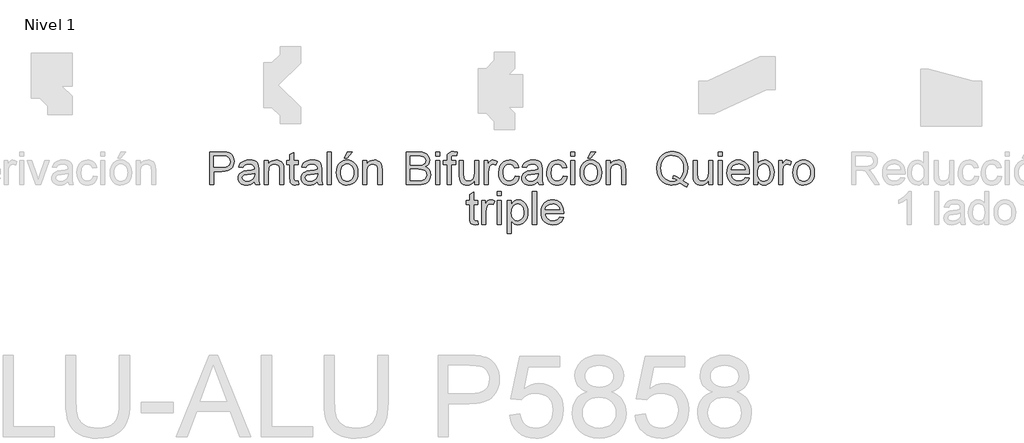
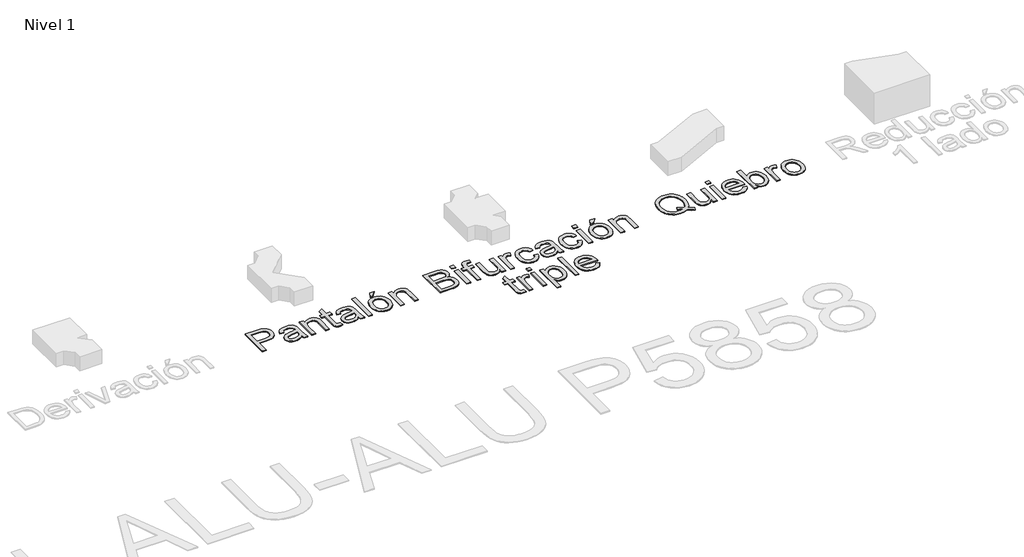
# One storey, part 5 of 7: 3 proxies.
"""IFC4 building model written with IfcOpenShell, lengths in millimetres."""

from ifc_helpers import new_model, si_unit, origin, origin_with_axes, place, context, project, spatial, polyline, outline, extrude, element, save

model = new_model("IFC4")

# Units and contexts
model_context = context("Model", 3, world=origin())
ifc_project = project(units=[si_unit("LENGTHUNIT", "METRE", prefix="MILLI")], contexts=[model_context])

# Site, building, storey
site = spatial("IfcSite", under=ifc_project)
building = spatial("IfcBuilding", under=site)
storey = spatial("IfcBuildingStorey", under=building, Name="Nivel 1", Elevation=0.0)

# Proxies
placement = place(None, origin())
element("IfcBuildingElementProxy", 1, Name="Texto de modelo 1", ObjectType="Texto de modelo 1", at=placement, inside=storey, context=model_context, shape_type="SweptSolid", body=[
    extrude(outline(polyline([(-3606.4154032, -4316.3248037), (-3606.4154032, -3914.4995631), (-3457.4967716, -3914.4995631), (-3397.4584299, -3918.3255358), (-3370.6888834, -3925.4747093), (-3348.6527519, -3937.1120431), (-3330.908577, -3953.7648347), (-3317.0149003, -3975.9603818), (-3308.0385796, -4002.1413171), (-3305.0464728, -4030.7502736), (-3307.066758, -4055.4167613), (-3313.1276139, -4078.1089491), (-3323.2290404, -4098.8268368), (-3337.3710374, -4117.5704244), (-3356.7860097, -4133.1073074), (-3382.7063619, -4144.2050809), (-3415.1320941, -4150.863745), (-3454.0632063, -4153.0832997), (-3556.1872481, -4153.0832997), (-3556.1872481, -4316.3248037), (-3606.4154032, -4316.3248037)]), holes=[polyline([(-3556.1872481, -4102.8551446), (-3451.1201503, -4102.8551446), (-3406.5819034, -4098.244357), (-3389.9781627, -4092.4808724), (-3377.1513438, -4084.4119939), (-3367.5802806, -4074.2523195), (-3360.7438068, -4062.2164469), (-3355.2746278, -4032.5161071), (-3358.4997267, -4009.9526781), (-3368.1750231, -3990.9209162), (-3383.0987694, -3976.5980439), (-3402.0692176, -3968.1612835), (-3452.2973727, -3964.7277182), (-3556.1872481, -3964.7277182), (-3556.1872481, -4102.8551446)])]), origin_with_axes(), (0.0, 0.0, 1.0), 10.0),
    extrude(outline(polyline([(-3053.9056974, -4278.6536874), (-3077.9038662, -4299.2305537), (-3102.6132735, -4312.6950347), (-3128.5980051, -4320.126251), (-3156.4221467, -4322.6033231), (-3178.7863063, -4321.113401), (-3198.3974824, -4316.6436348), (-3215.2556748, -4309.1940244), (-3229.3608836, -4298.7645698), (-3240.498511, -4286.0174587), (-3248.4539592, -4271.6148785), (-3253.227228, -4255.5568295), (-3254.8183177, -4237.8433114), (-3252.414822, -4217.0211905), (-3245.2043349, -4198.1120559), (-3234.0820359, -4181.9252481), (-3219.9431045, -4169.2701075), (-3203.3271011, -4159.7051756), (-3184.7735858, -4152.7889941), (-3141.3144594, -4145.2351505), (-3089.9581329, -4137.2888994), (-3054.200003, -4127.9692222), (-3053.9056974, -4116.7856095), (-3057.3637881, -4094.3693333), (-3067.7380604, -4079.7031044), (-3090.9391516, -4068.8137973), (-3123.2637162, -4065.1840283), (-3153.1847851, -4067.5997868), (-3174.0804825, -4074.8470621), (-3188.3297784, -4088.2502294), (-3198.3116432, -4109.133664), (-3248.5397983, -4102.8551446), (-3239.820995, -4075.3866223), (-3226.8102351, -4053.8042119), (-3208.293508, -4037.2985731), (-3183.0568032, -4025.0603654), (-3152.1915038, -4017.4819963), (-3116.7889931, -4014.9558732), (-3082.8334849, -4017.1876907), (-3055.9167856, -4023.883143), (-3035.6219622, -4033.9508469), (-3021.5320818, -4046.2994192), (-3012.1878791, -4061.566522), (-3006.1300889, -4080.3898175), (-3003.6775423, -4124.3394531), (-3003.6775423, -4186.8303414), (-3001.1268938, -4274.0919506), (-2991.1205035, -4316.3248037), (-3041.3486586, -4316.3248037), (-3049.3930116, -4298.8626717), (-3053.9056974, -4278.6536874)]), holes=[polyline([(-3053.9056974, -4178.1973772), (-3087.6527391, -4186.5605613), (-3134.9378382, -4193.5993701), (-3178.1517099, -4201.7418249), (-3189.3966362, -4207.3091058), (-3197.723032, -4214.9855768), (-3202.87338, -4224.1826266), (-3204.5901626, -4234.3116442), (-3200.850029, -4249.2476532), (-3189.6296281, -4261.4858609), (-3171.1742147, -4269.6528412), (-3145.7290434, -4272.375168), (-3118.7510304, -4269.3707984), (-3094.9122771, -4260.3576895), (-3075.5862096, -4247.0771495), (-3062.1462541, -4231.2704864), (-3056.1865657, -4214.9855768), (-3054.200003, -4192.4221477), (-3053.9056974, -4178.1973772)])]), origin_with_axes(), (0.0, 0.0, 1.0), 10.0),
    extrude(outline(polyline([(-2934.6138291, -4316.3248037), (-2934.6138291, -4021.2343926), (-2884.385674, -4021.2343926), (-2884.385674, -4062.4371761), (-2866.9358047, -4041.6641061), (-2845.9787937, -4026.826199), (-2821.514641, -4017.9234547), (-2793.5433467, -4014.9558732), (-2768.7848884, -4017.3471062), (-2746.1110947, -4024.5208051), (-2727.2019602, -4035.5817904), (-2713.7374792, -4049.6348827), (-2704.601743, -4066.6432936), (-2698.6788428, -4086.570235), (-2696.0300925, -4135.1306583), (-2696.0300925, -4316.3248037), (-2746.2582475, -4316.3248037), (-2746.2582475, -4141.899687), (-2747.7052501, -4115.9272182), (-2752.0462576, -4097.459542), (-2760.0538224, -4084.2280529), (-2772.5004965, -4073.9641453), (-2788.4543124, -4067.3790576), (-2806.9833022, -4065.1840283), (-2836.4015991, -4070.1136471), (-2861.4788884, -4084.9025033), (-2871.5006071, -4096.9751641), (-2878.6589776, -4113.4746716), (-2882.9539999, -4134.4010257), (-2884.385674, -4159.7542265), (-2884.385674, -4316.3248037), (-2934.6138291, -4316.3248037)])), origin_with_axes(), (0.0, 0.0, 1.0), 10.0),
    extrude(outline(polyline([(-2520.2315497, -4274.4353072), (-2513.9530303, -4317.7963317), (-2551.5260448, -4322.6033231), (-2575.6345782, -4320.5186584), (-2593.611745, -4314.2646645), (-2606.3159366, -4304.6261562), (-2614.6055442, -4292.3879485), (-2619.1672809, -4271.3696239), (-2620.6878599, -4235.3907648), (-2620.6878599, -4071.4625477), (-2658.3589762, -4071.4625477), (-2658.3589762, -4021.2343926), (-2620.6878599, -4021.2343926), (-2620.6878599, -3949.521929), (-2570.4597048, -3919.9932676), (-2570.4597048, -4021.2343926), (-2520.2315497, -4021.2343926), (-2520.2315497, -4071.4625477), (-2570.4597048, -4071.4625477), (-2570.4597048, -4233.9192368), (-2567.8109544, -4259.8181292), (-2559.2270412, -4268.9906536), (-2542.1082657, -4272.375168), (-2520.2315497, -4274.4353072)])), origin_with_axes(), (0.0, 0.0, 1.0), 10.0),
    extrude(outline(polyline([(-2281.6478131, -4278.6536874), (-2305.6459819, -4299.2305537), (-2330.3553893, -4312.6950347), (-2356.3401209, -4320.126251), (-2384.1642624, -4322.6033231), (-2406.528422, -4321.113401), (-2426.1395981, -4316.6436348), (-2442.9977905, -4309.1940244), (-2457.1029993, -4298.7645698), (-2468.2406267, -4286.0174587), (-2476.1960749, -4271.6148785), (-2480.9693438, -4255.5568295), (-2482.5604334, -4237.8433114), (-2480.1569377, -4217.0211905), (-2472.9464506, -4198.1120559), (-2461.8241516, -4181.9252481), (-2447.6852203, -4169.2701075), (-2431.0692168, -4159.7051756), (-2412.5157015, -4152.7889941), (-2369.0565752, -4145.2351505), (-2317.7002486, -4137.2888994), (-2281.9421187, -4127.9692222), (-2281.6478131, -4116.7856095), (-2285.1059039, -4094.3693333), (-2295.4801761, -4079.7031044), (-2318.6812673, -4068.8137973), (-2351.0058319, -4065.1840283), (-2380.9269009, -4067.5997868), (-2401.8225982, -4074.8470621), (-2416.0718941, -4088.2502294), (-2426.0537589, -4109.133664), (-2476.281914, -4102.8551446), (-2467.5631107, -4075.3866223), (-2454.5523508, -4053.8042119), (-2436.0356237, -4037.2985731), (-2410.7989189, -4025.0603654), (-2379.9336195, -4017.4819963), (-2344.5311088, -4014.9558732), (-2310.5756007, -4017.1876907), (-2283.6589013, -4023.883143), (-2263.3640779, -4033.9508469), (-2249.2741975, -4046.2994192), (-2239.9299948, -4061.566522), (-2233.8722047, -4080.3898175), (-2231.419658, -4124.3394531), (-2231.419658, -4186.8303414), (-2228.8690095, -4274.0919506), (-2218.8626193, -4316.3248037), (-2269.0907743, -4316.3248037), (-2277.1351273, -4298.8626717), (-2281.6478131, -4278.6536874)]), holes=[polyline([(-2281.6478131, -4178.1973772), (-2315.3948548, -4186.5605613), (-2362.6799539, -4193.5993701), (-2405.8938256, -4201.7418249), (-2417.1387519, -4207.3091058), (-2425.4651478, -4214.9855768), (-2430.6154957, -4224.1826266), (-2432.3322783, -4234.3116442), (-2428.5921447, -4249.2476532), (-2417.3717439, -4261.4858609), (-2398.9163304, -4269.6528412), (-2373.4711591, -4272.375168), (-2346.4931461, -4269.3707984), (-2322.6543928, -4260.3576895), (-2303.3283254, -4247.0771495), (-2289.8883698, -4231.2704864), (-2283.9286815, -4214.9855768), (-2281.9421187, -4192.4221477), (-2281.6478131, -4178.1973772)])]), origin_with_axes(), (0.0, 0.0, 1.0), 10.0),
    extrude(outline(polyline([(-2162.3559448, -4316.3248037), (-2162.3559448, -3914.4995631), (-2112.1277897, -3914.4995631), (-2112.1277897, -4316.3248037), (-2162.3559448, -4316.3248037)])), origin_with_axes(), (0.0, 0.0, 1.0), 10.0),
    extrude(outline(polyline([(-1955.1648051, -3989.8417957), (-1917.4936888, -3914.4995631), (-1854.708495, -3914.4995631), (-1917.4936888, -3989.8417957), (-1955.1648051, -3989.8417957)])), origin_with_axes(), (0.0, 0.0, 1.0), 10.0),
    extrude(outline(polyline([(-2049.3425959, -4168.7795982), (-2046.6264005, -4130.5627902), (-2038.4778143, -4097.6312203), (-2024.8968373, -4069.9848884), (-2005.8834695, -4047.6237944), (-1986.741343, -4033.3315789), (-1965.6126538, -4023.1228535), (-1942.4974017, -4016.9976183), (-1917.3955869, -4014.9558732), (-1889.6848757, -4017.4421424), (-1864.6290461, -4024.9009498), (-1842.2280983, -4037.3322956), (-1822.4820322, -4054.7361797), (-1806.3657351, -4076.5239908), (-1794.8540944, -4102.1071179), (-1787.9471099, -4131.4855609), (-1785.6447817, -4164.6593198), (-1789.7160092, -4215.4025097), (-1801.9296914, -4254.0301192), (-1821.9302092, -4282.9579067), (-1849.3619433, -4304.6016308), (-1881.9440253, -4318.1029), (-1917.3955869, -4322.6033231), (-1945.5109684, -4320.126251), (-1970.7997899, -4312.6950347), (-1993.2620514, -4300.3096742), (-2012.8977529, -4282.9701695), (-2028.8423717, -4260.9708262), (-2040.2313851, -4234.6059498), (-2047.0647932, -4203.8755405), (-2049.3425959, -4168.7795982)]), holes=[polyline([(-1999.1144408, -4168.6814963), (-1997.6613069, -4193.0444814), (-1993.3019053, -4214.1394482), (-1986.0362359, -4231.9663965), (-1975.8642987, -4246.5253265), (-1963.4912009, -4257.8346321), (-1949.6220497, -4265.9127076), (-1934.2568451, -4270.7595529), (-1917.3955869, -4272.375168), (-1900.620168, -4270.7503559), (-1885.316277, -4265.8759194), (-1871.4839139, -4257.7518587), (-1859.1230789, -4246.3781737), (-1848.9511417, -4231.6751566), (-1841.6854723, -4213.5630997), (-1837.3260707, -4192.042003), (-1835.8729368, -4167.1118665), (-1837.3352677, -4143.5214335), (-1841.7222605, -4122.9782898), (-1849.0339152, -4105.4824352), (-1859.2702317, -4091.0338698), (-1871.677052, -4079.7245642), (-1885.500218, -4071.6464887), (-1900.7397296, -4066.7996434), (-1917.3955869, -4065.1840283), (-1934.2568451, -4066.793512), (-1949.6220497, -4071.6219632), (-1963.4912009, -4079.6693819), (-1975.8642987, -4090.935768), (-1986.0362359, -4105.4517784), (-1993.3019053, -4123.2480699), (-1997.6613069, -4144.3246425), (-1999.1144408, -4168.6814963)])]), origin_with_axes(), (0.0, 0.0, 1.0), 10.0),
    extrude(outline(polyline([(-1729.1381073, -4316.3248037), (-1729.1381073, -4021.2343926), (-1678.9099522, -4021.2343926), (-1678.9099522, -4062.4371761), (-1661.4600829, -4041.6641061), (-1640.5030719, -4026.826199), (-1616.0389192, -4017.9234547), (-1588.0676249, -4014.9558732), (-1563.3091666, -4017.3471062), (-1540.635373, -4024.5208051), (-1521.7262384, -4035.5817904), (-1508.2617574, -4049.6348827), (-1499.1260212, -4066.6432936), (-1493.203121, -4086.570235), (-1490.5543707, -4135.1306583), (-1490.5543707, -4316.3248037), (-1540.7825257, -4316.3248037), (-1540.7825257, -4141.899687), (-1542.2295283, -4115.9272182), (-1546.5705358, -4097.459542), (-1554.5781006, -4084.2280529), (-1567.0247747, -4073.9641453), (-1582.9785906, -4067.3790576), (-1601.5075804, -4065.1840283), (-1630.9258773, -4070.1136471), (-1656.0031666, -4084.9025033), (-1666.0248853, -4096.9751641), (-1673.1832558, -4113.4746716), (-1677.4782781, -4134.4010257), (-1678.9099522, -4159.7542265), (-1678.9099522, -4316.3248037), (-1729.1381073, -4316.3248037)])), origin_with_axes(), (0.0, 0.0, 1.0), 10.0),
])
element("IfcBuildingElementProxy", 2, Name="Texto de modelo 1", ObjectType="Texto de modelo 1", at=placement, inside=storey, context=model_context, shape_type="SweptSolid", body=[
    extrude(outline(polyline([(2202.1788661, -4268.1567878), (2234.6260581, -4292.9520343), (2264.4735506, -4310.0462843), (2250.9354932, -4346.8344838), (2209.5119805, -4327.6310437), (2168.2356207, -4299.8436903), (2121.759862, -4316.9134149), (2070.6242646, -4322.6033231), (2044.3145706, -4320.9631825), (2019.2434126, -4316.0427608), (1995.4107907, -4307.842058), (1972.8167048, -4296.3610741), (1952.1080142, -4281.909443), (1933.931578, -4264.7967989), (1918.2873961, -4245.0231417), (1905.1754687, -4222.5884713), (1894.8103935, -4198.072202), (1887.4067683, -4172.0537479), (1881.4838682, -4115.5102853), (1887.3945056, -4058.9177717), (1894.7828023, -4032.6172747), (1905.1264177, -4007.6472843), (1918.1984913, -3984.7926153), (1933.7721624, -3964.8380828), (1951.8474311, -3947.7836866), (1972.4242974, -3933.6294268), (1994.9018873, -3922.5132592), (2018.6793269, -3914.5731395), (2043.7566163, -3909.8090677), (2070.1337553, -3908.2210437), (2096.7346892, -3909.8458559), (2121.9928539, -3914.7202923), (2145.9082493, -3922.844353), (2168.4808754, -3934.218038), (2189.0792014, -3948.5163849), (2207.0716966, -3965.4144312), (2222.4583611, -3984.912177), (2235.2391947, -4007.0096222), (2245.2823732, -4031.1549438), (2252.4560721, -4056.7963188), (2258.1950312, -4112.5672293), (2254.712415, -4158.9448862), (2244.2645664, -4200.3683988), (2226.7779089, -4236.7887163), (2202.1788661, -4268.1567878)]), holes=[polyline([(2084.4566277, -4201.3494175), (2126.6894807, -4217.3154961), (2160.7798789, -4239.5110431), (2181.4241902, -4216.2118501), (2196.1701269, -4187.7132582), (2205.0176888, -4154.0152674), (2207.9668762, -4115.1178778), (2203.7975469, -4070.9107247), (2191.2895591, -4032.6632599), (2170.749481, -4001.3442394), (2142.483881, -3977.9224191), (2108.4057455, -3963.3175039), (2070.4280609, -3958.4491988), (2041.7823162, -3960.9109425), (2015.68722, -3968.2961735), (1992.1427723, -3980.6048919), (1971.1489731, -3997.8370977), (1953.8953076, -4019.9560027), (1941.5712607, -4046.9248186), (1934.1768326, -4078.7435455), (1931.7120233, -4115.4121834), (1934.1492415, -4151.1243281), (1941.4608961, -4182.4280202), (1953.6469872, -4209.3232597), (1970.7075147, -4231.8100467), (1991.5572268, -4249.5572873), (2015.1108716, -4262.2338877), (2041.368449, -4269.8398479), (2070.329959, -4272.375168), (2098.2154143, -4269.799994), (2124.3840869, -4262.0744721), (2098.6568727, -4248.708093), (2071.5071814, -4239.8053487), (2084.4566277, -4201.3494175)])]), origin_with_axes(), (0.0, 0.0, 1.0), 10.0),
    extrude(outline(polyline([(2515.614326, -4316.3248037), (2515.614326, -4265.6061393), (2497.4409554, -4290.5424072), (2476.275478, -4308.3540271), (2452.1178936, -4319.0409991), (2424.9682024, -4322.6033231), (2400.5040497, -4320.1017255), (2377.7321542, -4312.5969328), (2358.6268159, -4301.3152183), (2345.1623349, -4287.4828553), (2336.1001751, -4270.6829108), (2330.2018004, -4250.498452), (2327.2587445, -4203.8019641), (2327.2587445, -4021.2343926), (2377.4868995, -4021.2343926), (2377.4868995, -4180.1594145), (2380.5280574, -4231.3685883), (2387.8489091, -4248.4505756), (2400.3936851, -4261.43681), (2417.3285196, -4269.6405785), (2437.8195468, -4272.375168), (2459.4877963, -4269.5792648), (2479.7580942, -4261.1915554), (2496.4721995, -4247.9845917), (2507.4718712, -4230.7309262), (2513.5787123, -4207.1006393), (2515.614326, -4174.763812), (2515.614326, -4021.2343926), (2565.8424811, -4021.2343926), (2565.8424811, -4316.3248037), (2515.614326, -4316.3248037)])), origin_with_axes(), (0.0, 0.0, 1.0), 10.0),
    extrude(outline(polyline([(2634.9061943, -3964.7277182), (2634.9061943, -3914.4995631), (2685.1343494, -3914.4995631), (2685.1343494, -3964.7277182), (2634.9061943, -3964.7277182)])), origin_with_axes(), (0.0, 0.0, 1.0), 10.0),
    extrude(outline(polyline([(2634.9061943, -4316.3248037), (2634.9061943, -4021.2343926), (2685.1343494, -4021.2343926), (2685.1343494, -4316.3248037), (2634.9061943, -4316.3248037)])), origin_with_axes(), (0.0, 0.0, 1.0), 10.0),
    extrude(outline(polyline([(2967.0791105, -4228.4255323), (3016.3262469, -4234.7040517), (3008.775469, -4254.428658), (2998.582072, -4271.8110823), (2985.7460561, -4286.8513245), (2970.2674211, -4299.5493847), (2952.3055827, -4309.6354827), (2932.0199563, -4316.8398385), (2884.4773398, -4322.6033231), (2853.3116035, -4320.1170539), (2825.5426442, -4312.6582465), (2801.170462, -4300.2269007), (2780.1950569, -4282.8230167), (2763.3276675, -4260.9309723), (2751.2795321, -4235.0351455), (2744.0506509, -4205.1355363), (2741.6410238, -4171.2321448), (2744.0751764, -4136.179122), (2751.377634, -4105.2831658), (2763.5483966, -4078.5442761), (2780.5874644, -4055.962453), (2801.5076872, -4038.0220743), (2825.321915, -4025.2075182), (2852.0301479, -4017.5187845), (2881.6323857, -4014.9558732), (2910.2811961, -4017.5126531), (2936.1892856, -4025.1829927), (2959.3566543, -4037.966892), (2979.783302, -4055.8643511), (2996.4575535, -4078.3971233), (3008.3677331, -4105.0869621), (3015.5138408, -4135.9338674), (3017.8958767, -4170.9378392), (3017.6015712, -4184.4758966), (2791.8691789, -4184.4758966), (2794.7785124, -4204.519334), (2800.5634567, -4222.0734365), (2809.224012, -4237.1382042), (2820.7601783, -4249.7136371), (2834.5342933, -4259.6280569), (2849.908695, -4266.7097853), (2885.4583585, -4272.375168), (2912.1911168, -4269.7509431), (2934.7054949, -4261.8782684), (2953.0014928, -4248.2666346), (2967.0791105, -4228.4255323)]), holes=[polyline([(2791.8691789, -4134.2477415), (2967.6677217, -4134.2477415), (2960.8741675, -4107.711187), (2947.5568393, -4088.728476), (2933.8593663, -4078.4277801), (2918.2734325, -4071.0701402), (2900.7990377, -4066.6555563), (2881.436182, -4065.1840283), (2847.5787757, -4069.8806551), (2819.5829559, -4083.9705355), (2800.1219983, -4105.9330907), (2791.8691789, -4134.2477415)])]), origin_with_axes(), (0.0, 0.0, 1.0), 10.0),
    extrude(outline(polyline([(3118.3521869, -4316.3248037), (3068.1240318, -4316.3248037), (3068.1240318, -3914.4995631), (3118.3521869, -3914.4995631), (3118.3521869, -4063.5162966), (3134.8700885, -4042.2711114), (3153.5217056, -4027.0959791), (3174.3070384, -4017.9908997), (3197.2260867, -4014.9558732), (3223.1004537, -4017.6904627), (3247.5523436, -4025.8942312), (3269.1838049, -4039.0521439), (3286.596886, -4056.649166), (3300.245308, -4078.5136193), (3310.5827921, -4104.4738254), (3317.0943034, -4133.4506639), (3319.2648072, -4164.3650142), (3317.0176613, -4200.037305), (3310.2762238, -4231.4176392), (3299.0404945, -4258.5060168), (3283.3104735, -4281.3024378), (3264.4289301, -4299.3715751), (3243.7386336, -4312.2781017), (3221.2395839, -4320.0220177), (3196.9317811, -4322.6033231), (3173.2585747, -4319.273991), (3152.2709069, -4309.2859949), (3133.9687776, -4292.6393346), (3118.3521869, -4269.3340102), (3118.3521869, -4316.3248037)]), holes=[polyline([(3118.3521869, -4166.719459), (3121.7857522, -4208.6089555), (3132.0864481, -4236.9603946), (3144.2572107, -4252.454358), (3158.4022734, -4263.5214747), (3174.5216362, -4270.1617447), (3192.615299, -4272.375168), (3207.6371471, -4270.7442245), (3221.6044002, -4265.851394), (3234.5170582, -4257.6966764), (3246.3751212, -4246.2800718), (3256.289541, -4231.632237), (3263.3712694, -4213.7838289), (3267.6203064, -4192.7348474), (3269.0366521, -4168.4852926), (3263.6042613, -4122.5245686), (3256.8137728, -4104.7313428), (3247.3070889, -4090.3962077), (3235.8751559, -4079.3658792), (3223.3089201, -4071.4870732), (3209.6083815, -4066.7597895), (3194.77354, -4065.1840283), (3179.7516919, -4066.8149718), (3165.7844388, -4071.7078024), (3152.8717808, -4079.8625199), (3141.0137178, -4091.2791245), (3131.099298, -4105.7798065), (3124.0175696, -4123.1867562), (3119.7685326, -4143.4999737), (3118.3521869, -4166.719459)])]), origin_with_axes(), (0.0, 0.0, 1.0), 10.0),
    extrude(outline(polyline([(3375.7714817, -4316.3248037), (3375.7714817, -4021.2343926), (3419.7211173, -4021.2343926), (3419.7211173, -4064.8897227), (3435.9569761, -4039.5794415), (3450.9175105, -4024.6679579), (3465.9270959, -4017.3838944), (3482.3101075, -4014.9558732), (3507.3260831, -4018.8308969), (3532.7344663, -4030.455968), (3515.9590473, -4075.4847242), (3498.3007115, -4067.7592023), (3480.6423757, -4065.1840283), (3465.6450531, -4067.6611004), (3452.2418857, -4075.0923167), (3441.4138923, -4086.9135915), (3434.1420916, -4102.560839), (3428.0352504, -4130.6179725), (3425.9996367, -4161.2257545), (3425.9996367, -4316.3248037), (3375.7714817, -4316.3248037)])), origin_with_axes(), (0.0, 0.0, 1.0), 10.0),
    extrude(outline(polyline([(3551.5700244, -4168.7795982), (3554.2862198, -4130.5627902), (3562.434806, -4097.6312203), (3576.015783, -4069.9848884), (3595.0291508, -4047.6237944), (3614.1712773, -4033.3315789), (3635.2999665, -4023.1228535), (3658.4152185, -4016.9976183), (3683.5170334, -4014.9558732), (3711.2277446, -4017.4421424), (3736.2835742, -4024.9009498), (3758.684522, -4037.3322956), (3778.4305881, -4054.7361797), (3794.5468852, -4076.5239908), (3806.0585259, -4102.1071179), (3812.9655104, -4131.4855609), (3815.2678386, -4164.6593198), (3811.1966111, -4215.4025097), (3798.9829289, -4254.0301192), (3778.9824111, -4282.9579067), (3751.550677, -4304.6016308), (3718.968595, -4318.1029), (3683.5170334, -4322.6033231), (3655.4016519, -4320.126251), (3630.1128304, -4312.6950347), (3607.6505689, -4300.3096742), (3588.0148674, -4282.9701695), (3572.0702486, -4260.9708262), (3560.6812352, -4234.6059498), (3553.8478271, -4203.8755405), (3551.5700244, -4168.7795982)]), holes=[polyline([(3601.7981795, -4168.6814963), (3603.2513134, -4193.0444814), (3607.610715, -4214.1394482), (3614.8763844, -4231.9663965), (3625.0483216, -4246.5253265), (3637.4214194, -4257.8346321), (3651.2905706, -4265.9127076), (3666.6557752, -4270.7595529), (3683.5170334, -4272.375168), (3700.2924523, -4270.7503559), (3715.5963433, -4265.8759194), (3729.4287064, -4257.7518587), (3741.7895414, -4246.3781737), (3751.9614786, -4231.6751566), (3759.227148, -4213.5630997), (3763.5865496, -4192.042003), (3765.0396835, -4167.1118665), (3763.5773526, -4143.5214335), (3759.1903598, -4122.9782898), (3751.8787051, -4105.4824352), (3741.6423886, -4091.0338698), (3729.2355683, -4079.7245642), (3715.4124023, -4071.6464887), (3700.1728907, -4066.7996434), (3683.5170334, -4065.1840283), (3666.6557752, -4066.793512), (3651.2905706, -4071.6219632), (3637.4214194, -4079.6693819), (3625.0483216, -4090.935768), (3614.8763844, -4105.4517784), (3607.610715, -4123.2480699), (3603.2513134, -4144.3246425), (3601.7981795, -4168.6814963)])]), origin_with_axes(), (0.0, 0.0, 1.0), 10.0),
])
element("IfcBuildingElementProxy", 3, Name="Texto de modelo 1", ObjectType="Texto de modelo 1", at=placement, inside=storey, context=model_context, shape_type="SweptSolid", body=[
    extrude(outline(polyline([(-1195.2272949, -4316.3248037), (-1195.2272949, -3914.4995631), (-1041.8940793, -3914.4995631), (-999.7225399, -3917.4548818), (-966.7971013, -3926.3208379), (-941.5603965, -3941.3181605), (-922.4550582, -3962.667579), (-910.4253169, -3987.7816565), (-906.4154032, -4014.0729565), (-909.7876548, -4038.267329), (-919.9044097, -4061.014699), (-936.8392442, -4080.917115), (-960.6657348, -4096.5766252), (-932.2039311, -4111.4390578), (-911.1733437, -4134.0515378), (-898.1871092, -4162.9180117), (-893.8583644, -4196.5424261), (-896.8136831, -4224.5627714), (-905.6796392, -4250.547503), (-918.9111283, -4272.6449481), (-934.963046, -4289.0034342), (-954.6202073, -4300.8492344), (-978.6674271, -4309.4086222), (-1007.8895202, -4314.5957583), (-1043.0713017, -4316.3248037), (-1195.2272949, -4316.3248037)]), holes=[polyline([(-1144.9991398, -4077.7410671), (-1053.2738957, -4077.7410671), (-999.7102772, -4073.424585), (-980.9605582, -4065.981106), (-967.4838144, -4054.8342815), (-959.3536223, -4040.1557899), (-956.6435583, -4022.1173094), (-959.1696813, -4004.6061264), (-966.7480504, -3989.3512864), (-979.035309, -3977.4441725), (-995.6881007, -3969.976168), (-1021.2436366, -3966.0398306), (-1060.2391281, -3964.7277182), (-1144.9991398, -3964.7277182), (-1144.9991398, -4077.7410671)]), polyline([(-1144.9991398, -4266.0966486), (-1041.9921812, -4266.0966486), (-1004.7134723, -4264.1346113), (-973.1737226, -4253.1962533), (-961.5977025, -4243.7662115), (-952.2780253, -4230.8780789), (-946.1343959, -4215.1082041), (-944.0865195, -4197.0329354), (-946.4900152, -4176.0391362), (-953.7005023, -4157.988393), (-966.2943293, -4143.8739871), (-984.8478446, -4134.6891999), (-1011.1268818, -4129.6492166), (-1046.8972744, -4127.9692222), (-1144.9991398, -4127.9692222), (-1144.9991398, -4266.0966486)])]), origin_with_axes(), (0.0, 0.0, 1.0), 10.0),
    extrude(outline(polyline([(-831.0731706, -3964.7277182), (-831.0731706, -3914.4995631), (-780.8450155, -3914.4995631), (-780.8450155, -3964.7277182), (-831.0731706, -3964.7277182)])), origin_with_axes(), (0.0, 0.0, 1.0), 10.0),
    extrude(outline(polyline([(-831.0731706, -4316.3248037), (-831.0731706, -4021.2343926), (-780.8450155, -4021.2343926), (-780.8450155, -4316.3248037), (-831.0731706, -4316.3248037)])), origin_with_axes(), (0.0, 0.0, 1.0), 10.0),
    extrude(outline(polyline([(-692.9457441, -4316.3248037), (-692.9457441, -4071.4625477), (-736.8953798, -4071.4625477), (-736.8953798, -4021.2343926), (-692.9457441, -4021.2343926), (-692.9457441, -3991.5095274), (-691.621369, -3966.9104847), (-687.6482434, -3949.6200309), (-677.5437513, -3932.9181883), (-661.9455547, -3919.698962), (-640.1178896, -3911.0905233), (-611.3249921, -3908.2210437), (-565.511421, -3913.7147482), (-572.8690609, -3960.8036436), (-601.8091112, -3958.4491988), (-620.9021867, -3960.5338634), (-633.4469628, -3966.7878573), (-640.3999325, -3978.7317595), (-642.7175891, -3997.8861487), (-642.7175891, -4021.2343926), (-586.2109146, -4021.2343926), (-586.2109146, -4071.4625477), (-642.7175891, -4071.4625477), (-642.7175891, -4316.3248037), (-692.9457441, -4316.3248037)])), origin_with_axes(), (0.0, 0.0, 1.0), 10.0),
    extrude(outline(polyline([(-353.9056974, -4316.3248037), (-353.9056974, -4265.6061393), (-372.0790679, -4290.5424072), (-393.2445454, -4308.3540271), (-417.4021297, -4319.0409991), (-444.551821, -4322.6033231), (-469.0159737, -4320.1017255), (-491.7878692, -4312.5969328), (-510.8932075, -4301.3152183), (-524.3576885, -4287.4828553), (-533.4198483, -4270.6829108), (-539.3182229, -4250.498452), (-542.2612789, -4203.8019641), (-542.2612789, -4021.2343926), (-492.0331238, -4021.2343926), (-492.0331238, -4180.1594145), (-488.991966, -4231.3685883), (-481.6711143, -4248.4505756), (-469.1263383, -4261.43681), (-452.1915038, -4269.6405785), (-431.7004766, -4272.375168), (-410.0322271, -4269.5792648), (-389.7619292, -4261.1915554), (-373.0478239, -4247.9845917), (-362.0481522, -4230.7309262), (-355.9413111, -4207.1006393), (-353.9056974, -4174.763812), (-353.9056974, -4021.2343926), (-303.6775423, -4021.2343926), (-303.6775423, -4316.3248037), (-353.9056974, -4316.3248037)])), origin_with_axes(), (0.0, 0.0, 1.0), 10.0),
    extrude(outline(polyline([(-234.6138291, -4316.3248037), (-234.6138291, -4021.2343926), (-190.6641934, -4021.2343926), (-190.6641934, -4064.8897227), (-174.4283347, -4039.5794415), (-159.4678002, -4024.6679579), (-144.4582148, -4017.3838944), (-128.0752033, -4014.9558732), (-103.0592276, -4018.8308969), (-77.6508445, -4030.455968), (-94.4262634, -4075.4847242), (-112.0845992, -4067.7592023), (-129.742935, -4065.1840283), (-144.7402577, -4067.6611004), (-158.143425, -4075.0923167), (-168.9714184, -4086.9135915), (-176.2432192, -4102.560839), (-182.3500603, -4130.6179725), (-184.385674, -4161.2257545), (-184.385674, -4316.3248037), (-234.6138291, -4316.3248037)])), origin_with_axes(), (0.0, 0.0, 1.0), 10.0),
    extrude(outline(polyline([(142.097334, -4209.5899742), (192.3254891, -4215.8684935), (186.8624414, -4239.5692911), (178.3214478, -4260.5416305), (166.7025081, -4278.7855118), (152.0056224, -4294.3009349), (134.8500587, -4306.6832297), (115.855085, -4315.527726), (95.0207013, -4320.8344238), (72.3469077, -4322.6033231), (44.1763439, -4320.135448), (18.9181793, -4312.7318229), (-3.4275863, -4300.3924476), (-22.8609527, -4283.1173223), (-38.5909736, -4261.2314092), (-49.8267029, -4235.059671), (-56.5681405, -4204.6021074), (-58.8152863, -4169.8587187), (-54.9770508, -4125.1610563), (-43.4623444, -4086.4230822), (-24.087226, -4055.1408499), (3.3322454, -4032.8104127), (36.1350566, -4019.4195081), (71.6601946, -4014.9558732), (93.9446465, -4016.4887149), (114.1015142, -4021.0872398), (132.1307976, -4028.7514481), (148.0324968, -4039.4813396), (161.5368317, -4053.0316597), (172.3740222, -4069.1571539), (180.5440682, -4087.857822), (186.0469697, -4109.133664), (135.8188146, -4115.4121834), (126.7076039, -4093.4986792), (112.5196216, -4077.790118), (94.0396827, -4068.3355507), (72.0526021, -4065.1840283), (54.9859432, -4066.7352641), (39.5931474, -4071.3889713), (25.8742147, -4079.14515), (13.829145, -4090.0038003), (4.0220241, -4104.216308), (-2.9830622, -4122.0340593), (-7.186114, -4143.4570542), (-8.5871312, -4168.4852926), (-3.1056895, -4215.5619252), (3.7461126, -4233.4992382), (13.3386357, -4247.7025489), (25.144582, -4258.4968197), (38.6366542, -4266.2070132), (53.8148522, -4270.8331293), (70.679176, -4272.375168), (96.688433, -4268.5246698), (118.013326, -4256.9731751), (133.5256835, -4237.4263785), (142.097334, -4209.5899742)])), origin_with_axes(), (0.0, 0.0, 1.0), 10.0),
    extrude(outline(polyline([(424.6307063, -4278.6536874), (400.6325375, -4299.2305537), (375.9231301, -4312.6950347), (349.9383985, -4320.126251), (322.114257, -4322.6033231), (299.7500973, -4321.113401), (280.1389213, -4316.6436348), (263.2807289, -4309.1940244), (249.17552, -4298.7645698), (238.0378926, -4286.0174587), (230.0824445, -4271.6148785), (225.3091756, -4255.5568295), (223.718086, -4237.8433114), (226.1215817, -4217.0211905), (233.3320688, -4198.1120559), (244.4543678, -4181.9252481), (258.5932991, -4169.2701075), (275.2093026, -4159.7051756), (293.7628179, -4152.7889941), (337.2219442, -4145.2351505), (388.5782708, -4137.2888994), (424.3364007, -4127.9692222), (424.6307063, -4116.7856095), (421.1726155, -4094.3693333), (410.7983433, -4079.7031044), (387.5972521, -4068.8137973), (355.2726875, -4065.1840283), (325.3516185, -4067.5997868), (304.4559212, -4074.8470621), (290.2066252, -4088.2502294), (280.2247604, -4109.133664), (229.9966054, -4102.8551446), (238.7154087, -4075.3866223), (251.7261685, -4053.8042119), (270.2428956, -4037.2985731), (295.4796005, -4025.0603654), (326.3448999, -4017.4819963), (361.7474106, -4014.9558732), (395.7029187, -4017.1876907), (422.619618, -4023.883143), (442.9144414, -4033.9508469), (457.0043219, -4046.2994192), (466.3485245, -4061.566522), (472.4063147, -4080.3898175), (474.8588614, -4124.3394531), (474.8588614, -4186.8303414), (477.4095099, -4274.0919506), (487.4159001, -4316.3248037), (437.1877451, -4316.3248037), (429.1433921, -4298.8626717), (424.6307063, -4278.6536874)]), holes=[polyline([(424.6307063, -4178.1973772), (390.8836646, -4186.5605613), (343.5985655, -4193.5993701), (300.3846938, -4201.7418249), (289.1397675, -4207.3091058), (280.8133716, -4214.9855768), (275.6630237, -4224.1826266), (273.9462411, -4234.3116442), (277.6863747, -4249.2476532), (288.9067755, -4261.4858609), (307.362189, -4269.6528412), (332.8073603, -4272.375168), (359.7853733, -4269.3707984), (383.6241266, -4260.3576895), (402.950194, -4247.0771495), (416.3901496, -4231.2704864), (422.3498379, -4214.9855768), (424.3364007, -4192.4221477), (424.6307063, -4178.1973772)])]), origin_with_axes(), (0.0, 0.0, 1.0), 10.0),
    extrude(outline(polyline([(732.2781561, -4209.5899742), (782.5063112, -4215.8684935), (777.0432636, -4239.5692911), (768.5022699, -4260.5416305), (756.8833302, -4278.7855118), (742.1864445, -4294.3009349), (725.0308808, -4306.6832297), (706.0359071, -4315.527726), (685.2015235, -4320.8344238), (662.5277298, -4322.6033231), (634.357166, -4320.135448), (609.0990014, -4312.7318229), (586.7532359, -4300.3924476), (567.3198695, -4283.1173223), (551.5898485, -4261.2314092), (540.3541192, -4235.059671), (533.6126817, -4204.6021074), (531.3655358, -4169.8587187), (535.2037713, -4125.1610563), (546.7184777, -4086.4230822), (566.0935962, -4055.1408499), (593.5130675, -4032.8104127), (626.3158788, -4019.4195081), (661.8410168, -4014.9558732), (684.1254686, -4016.4887149), (704.2823363, -4021.0872398), (722.3116197, -4028.7514481), (738.213319, -4039.4813396), (751.7176539, -4053.0316597), (762.5548443, -4069.1571539), (770.7248903, -4087.857822), (776.2277918, -4109.133664), (725.9996367, -4115.4121834), (716.888426, -4093.4986792), (702.7004437, -4077.790118), (684.2205048, -4068.3355507), (662.2334242, -4065.1840283), (645.1667653, -4066.7352641), (629.7739695, -4071.3889713), (616.0550368, -4079.14515), (604.0099671, -4090.0038003), (594.2028463, -4104.216308), (587.19776, -4122.0340593), (582.9947082, -4143.4570542), (581.5936909, -4168.4852926), (587.0751326, -4215.5619252), (593.9269348, -4233.4992382), (603.5194578, -4247.7025489), (615.3254042, -4258.4968197), (628.8174763, -4266.2070132), (643.9956743, -4270.8331293), (660.8599981, -4272.375168), (686.8692552, -4268.5246698), (708.1941482, -4256.9731751), (723.7065056, -4237.4263785), (732.2781561, -4209.5899742)])), origin_with_axes(), (0.0, 0.0, 1.0), 10.0),
    extrude(outline(polyline([(826.4559469, -3964.7277182), (826.4559469, -3914.4995631), (876.684102, -3914.4995631), (876.684102, -3964.7277182), (826.4559469, -3964.7277182)])), origin_with_axes(), (0.0, 0.0, 1.0), 10.0),
    extrude(outline(polyline([(826.4559469, -4316.3248037), (826.4559469, -4021.2343926), (876.684102, -4021.2343926), (876.684102, -4316.3248037), (826.4559469, -4316.3248037)])), origin_with_axes(), (0.0, 0.0, 1.0), 10.0),
    extrude(outline(polyline([(1033.6470866, -3989.8417957), (1071.3182029, -3914.4995631), (1134.1033967, -3914.4995631), (1071.3182029, -3989.8417957), (1033.6470866, -3989.8417957)])), origin_with_axes(), (0.0, 0.0, 1.0), 10.0),
    extrude(outline(polyline([(939.4692958, -4168.7795982), (942.1854912, -4130.5627902), (950.3340774, -4097.6312203), (963.9150544, -4069.9848884), (982.9284222, -4047.6237944), (1002.0705486, -4033.3315789), (1023.1992379, -4023.1228535), (1046.3144899, -4016.9976183), (1071.4163047, -4014.9558732), (1099.127016, -4017.4421424), (1124.1828456, -4024.9009498), (1146.5837934, -4037.3322956), (1166.3298595, -4054.7361797), (1182.4461566, -4076.5239908), (1193.9577973, -4102.1071179), (1200.8647818, -4131.4855609), (1203.1671099, -4164.6593198), (1199.0958825, -4215.4025097), (1186.8822003, -4254.0301192), (1166.8816825, -4282.9579067), (1139.4499484, -4304.6016308), (1106.8678663, -4318.1029), (1071.4163047, -4322.6033231), (1043.3009233, -4320.126251), (1018.0121018, -4312.6950347), (995.5498403, -4300.3096742), (975.9141388, -4282.9701695), (959.96952, -4260.9708262), (948.5805065, -4234.6059498), (941.7470985, -4203.8755405), (939.4692958, -4168.7795982)]), holes=[polyline([(989.6974509, -4168.6814963), (991.1505848, -4193.0444814), (995.5099864, -4214.1394482), (1002.7756558, -4231.9663965), (1012.947593, -4246.5253265), (1025.3206907, -4257.8346321), (1039.189842, -4265.9127076), (1054.5550466, -4270.7595529), (1071.4163047, -4272.375168), (1088.1917237, -4270.7503559), (1103.4956147, -4265.8759194), (1117.3279777, -4257.7518587), (1129.6888128, -4246.3781737), (1139.8607499, -4231.6751566), (1147.1264193, -4213.5630997), (1151.485821, -4192.042003), (1152.9389549, -4167.1118665), (1151.4766239, -4143.5214335), (1147.0896311, -4122.9782898), (1139.7779765, -4105.4824352), (1129.54166, -4091.0338698), (1117.1348397, -4079.7245642), (1103.3116737, -4071.6464887), (1088.0721621, -4066.7996434), (1071.4163047, -4065.1840283), (1054.5550466, -4066.793512), (1039.189842, -4071.6219632), (1025.3206907, -4079.6693819), (1012.947593, -4090.935768), (1002.7756558, -4105.4517784), (995.5099864, -4123.2480699), (991.1505848, -4144.3246425), (989.6974509, -4168.6814963)])]), origin_with_axes(), (0.0, 0.0, 1.0), 10.0),
    extrude(outline(polyline([(1259.6737844, -4316.3248037), (1259.6737844, -4021.2343926), (1309.9019395, -4021.2343926), (1309.9019395, -4062.4371761), (1327.3518088, -4041.6641061), (1348.3088198, -4026.826199), (1372.7729725, -4017.9234547), (1400.7442668, -4014.9558732), (1425.5027251, -4017.3471062), (1448.1765187, -4024.5208051), (1467.0856533, -4035.5817904), (1480.5501343, -4049.6348827), (1489.6858705, -4066.6432936), (1495.6087706, -4086.570235), (1498.257521, -4135.1306583), (1498.257521, -4316.3248037), (1448.0293659, -4316.3248037), (1448.0293659, -4141.899687), (1446.5823634, -4115.9272182), (1442.2413559, -4097.459542), (1434.2337911, -4084.2280529), (1421.7871169, -4073.9641453), (1405.8333011, -4067.3790576), (1387.3043113, -4065.1840283), (1357.8860144, -4070.1136471), (1332.808725, -4084.9025033), (1322.7870064, -4096.9751641), (1315.6286359, -4113.4746716), (1311.3336136, -4134.4010257), (1309.9019395, -4159.7542265), (1309.9019395, -4316.3248037), (1259.6737844, -4316.3248037)])), origin_with_axes(), (0.0, 0.0, 1.0), 10.0),
    extrude(outline(polyline([(-316.2345811, -4762.3345786), (-309.9560617, -4805.6956031), (-347.5290761, -4810.5025945), (-371.6376095, -4808.4179298), (-389.6147764, -4802.1639359), (-402.3189679, -4792.5254276), (-410.6085756, -4780.2872199), (-415.1703123, -4759.2688953), (-416.6908912, -4723.2900361), (-416.6908912, -4559.3618191), (-454.3620075, -4559.3618191), (-454.3620075, -4509.133664), (-416.6908912, -4509.133664), (-416.6908912, -4437.4212004), (-366.4627361, -4407.8925389), (-366.4627361, -4509.133664), (-316.2345811, -4509.133664), (-316.2345811, -4559.3618191), (-366.4627361, -4559.3618191), (-366.4627361, -4721.8185082), (-363.8139858, -4747.7174006), (-355.2300726, -4756.889925), (-338.1112971, -4760.2744394), (-316.2345811, -4762.3345786)])), origin_with_axes(), (0.0, 0.0, 1.0), 10.0),
    extrude(outline(polyline([(-266.006426, -4804.2240751), (-266.006426, -4509.133664), (-222.0567903, -4509.133664), (-222.0567903, -4552.7889941), (-205.8209316, -4527.4787128), (-190.8603971, -4512.5672293), (-175.8508117, -4505.2831658), (-159.4678002, -4502.8551446), (-134.4518245, -4506.7301683), (-109.0434414, -4518.3552394), (-125.8188604, -4563.3839956), (-143.4771961, -4555.6584737), (-161.1355319, -4553.0832997), (-176.1328546, -4555.5603718), (-189.5360219, -4562.9915881), (-200.3640153, -4574.8128629), (-207.6358161, -4590.4601104), (-213.7426572, -4618.5172439), (-215.7782709, -4649.1250259), (-215.7782709, -4804.2240751), (-266.006426, -4804.2240751)])), origin_with_axes(), (0.0, 0.0, 1.0), 10.0),
    extrude(outline(polyline([(-77.6508445, -4804.2240751), (-77.6508445, -4509.133664), (-27.4226894, -4509.133664), (-27.4226894, -4804.2240751), (-77.6508445, -4804.2240751)])), origin_with_axes(), (0.0, 0.0, 1.0), 10.0),
    extrude(outline(polyline([(-77.6508445, -4452.6269896), (-77.6508445, -4402.3988345), (-27.4226894, -4402.3988345), (-27.4226894, -4452.6269896), (-77.6508445, -4452.6269896)])), origin_with_axes(), (0.0, 0.0, 1.0), 10.0),
    extrude(outline(polyline([(47.9195432, -4917.237424), (47.9195432, -4509.133664), (98.1476983, -4509.133664), (98.1476983, -4558.3808004), (114.5307098, -4534.088326), (132.8757586, -4516.7365586), (154.2619653, -4506.3254981), (179.7684503, -4502.8551446), (213.7362212, -4507.711187), (243.4365609, -4522.279314), (267.6186707, -4545.6766089), (285.0317518, -4577.0201549), (295.5531769, -4614.0290836), (299.0603186, -4654.4225266), (295.0994558, -4697.3788809), (283.2168673, -4735.798024), (263.792698, -4767.7301812), (237.2070925, -4791.2255779), (206.2436912, -4805.6833403), (173.6861346, -4810.5025945), (150.5954081, -4807.2774956), (129.9817536, -4797.6021992), (112.3356806, -4782.997284), (98.1476983, -4764.9833289), (98.1476983, -4917.237424), (47.9195432, -4917.237424)]), holes=[polyline([(98.1476983, -4659.0333143), (103.5800891, -4704.0620705), (110.3705776, -4721.4996771), (119.8772615, -4735.5527693), (143.9244812, -4754.0940219), (157.6863335, -4758.729335), (172.6070141, -4760.2744394), (187.7422925, -4758.6741527), (201.7555309, -4753.8732927), (214.6467291, -4745.8718593), (226.4158873, -4734.6698525), (236.2230081, -4720.1078569), (243.2280945, -4702.0264568), (247.4311463, -4680.4256523), (248.8321635, -4655.3054434), (243.3629845, -4610.5219419), (236.5265108, -4592.9494452), (226.9554475, -4578.5897847), (202.945016, -4559.459921), (189.3395135, -4554.677455), (174.6671533, -4553.0832997), (160.0407783, -4554.7786226), (146.278926, -4559.8645911), (121.3487895, -4580.2084655), (111.1983121, -4595.3069557), (103.9479711, -4613.4772606), (99.5977665, -4634.7193801), (98.1476983, -4659.0333143)])]), origin_with_axes(), (0.0, 0.0, 1.0), 10.0),
    extrude(outline(polyline([(355.5669931, -4804.2240751), (355.5669931, -4402.3988345), (405.7951481, -4402.3988345), (405.7951481, -4804.2240751), (355.5669931, -4804.2240751)])), origin_with_axes(), (0.0, 0.0, 1.0), 10.0),
    extrude(outline(polyline([(687.7399092, -4716.3248037), (736.9870457, -4722.6033231), (729.4362677, -4742.3279294), (719.2428708, -4759.7103537), (706.4068548, -4774.7505959), (690.9282199, -4787.4486561), (672.9663814, -4797.5347541), (652.6807551, -4804.7391099), (605.1381386, -4810.5025945), (573.9724022, -4808.0163253), (546.203443, -4800.5575179), (521.8312608, -4788.1261721), (500.8558557, -4770.722288), (483.9884662, -4748.8302437), (471.9403309, -4722.9344169), (464.7114497, -4693.0348077), (462.3018226, -4659.1314162), (464.7359751, -4624.0783934), (472.0384327, -4593.1824372), (484.2091954, -4566.4435475), (501.2482631, -4543.8617244), (522.1684859, -4525.9213457), (545.9827138, -4513.1067896), (572.6909466, -4505.4180559), (602.2931845, -4502.8551446), (630.9419949, -4505.4119245), (656.8500844, -4513.0822641), (680.017453, -4525.8661634), (700.4441008, -4543.7636225), (717.1183522, -4566.2963947), (729.0285318, -4592.9862334), (736.1746396, -4623.8331387), (738.5566755, -4658.8371106), (738.2623699, -4672.375168), (512.5299777, -4672.375168), (515.4393111, -4692.4186054), (521.2242555, -4709.9727079), (529.8848108, -4725.0374756), (541.420977, -4737.6129085), (555.1950921, -4747.5273283), (570.5694938, -4754.6090567), (606.1191572, -4760.2744394), (632.8519156, -4757.6502145), (655.3662937, -4749.7775398), (673.6622915, -4736.165906), (687.7399092, -4716.3248037)]), holes=[polyline([(512.5299777, -4622.1470129), (688.3285204, -4622.1470129), (681.5349662, -4595.6104583), (668.217638, -4576.6277474), (654.5201651, -4566.3270515), (638.9342312, -4558.9694116), (621.4598364, -4554.5548277), (602.0969808, -4553.0832997), (568.2395745, -4557.7799265), (540.2437546, -4571.8698069), (520.7827971, -4593.832362), (512.5299777, -4622.1470129)])]), origin_with_axes(), (0.0, 0.0, 1.0), 10.0),
])

save(model, "model.ifc")
